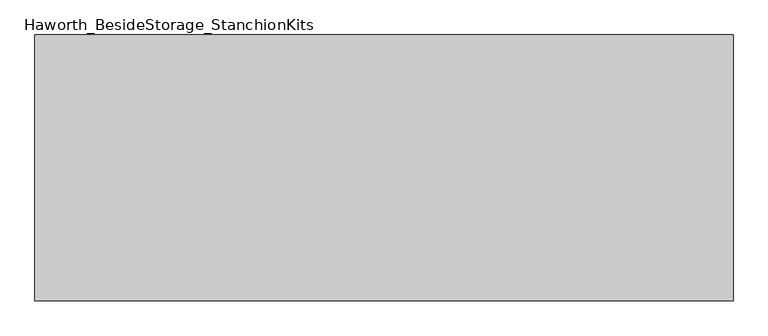
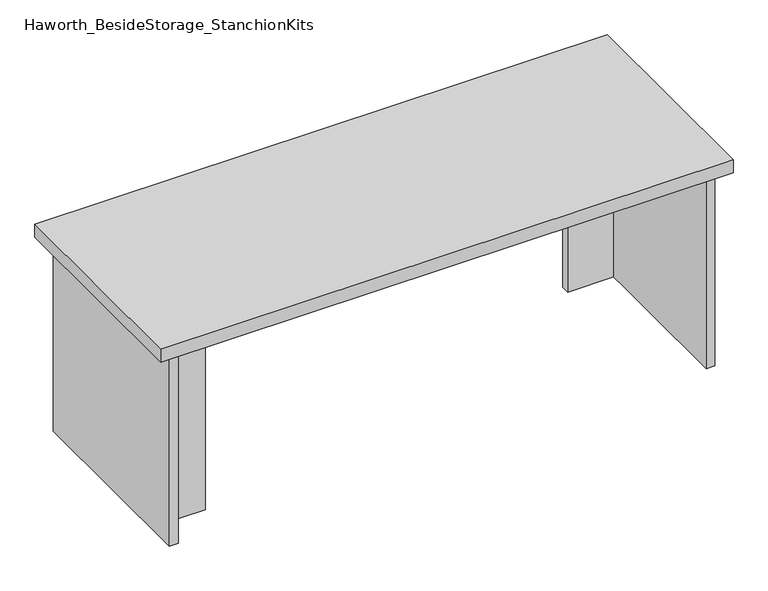
"""IFC4 building model written with IfcOpenShell, lengths in millimetres: furniture geometry, Haworth_BesideStorage_StanchionKits."""

from ifc_helpers import new_model, si_unit, frame, origin, place, context, project, spatial, polyline, outline, extrude, source, transform, mapped, element, save


def haworth_besidestorage_stanchionkits_9c300acf(model_context):
    return source(origin(), model_context, "Body", "SweptSolid", [
        extrude(outline(polyline([(695.325, 0.0), (695.325, -406.4), (-371.475, -406.4), (-371.475, 0.0), (695.325, 0.0)])), frame((0.0, 0.0, 812.8), z_axis=(0.0, 0.0, 1.0), x_axis=(1.0, 0.0, 0.0)), (0.0, 0.0, 1.0), 25.4),
        extrude(outline(polyline([(568.325, -76.2), (654.05, -76.2), (654.05, -92.075), (568.325, -92.075), (568.325, -76.2)])), frame((0.0, 0.0, 431.8), z_axis=(0.0, 0.0, 1.0), x_axis=(1.0, 0.0, 0.0)), (0.0, 0.0, 1.0), 381.0),
        extrude(outline(polyline([(-244.475, -314.325), (-244.475, -330.2), (-330.2, -330.2), (-330.2, -314.325), (-244.475, -314.325)])), frame((0.0, 0.0, 431.8), z_axis=(0.0, 0.0, 1.0), x_axis=(1.0, 0.0, 0.0)), (0.0, 0.0, 1.0), 381.0),
        extrude(outline(polyline([(669.925, -390.525), (654.05, -390.525), (654.05, -15.875), (669.925, -15.875), (669.925, -390.525)])), frame((0.0, 0.0, 431.8), z_axis=(0.0, 0.0, 1.0), x_axis=(1.0, 0.0, 0.0)), (0.0, 0.0, 1.0), 381.0),
        extrude(outline(polyline([(-330.2, -390.525), (-346.075, -390.525), (-346.075, -15.875), (-330.2, -15.875), (-330.2, -390.525)])), frame((0.0, 0.0, 431.8), z_axis=(0.0, 0.0, 1.0), x_axis=(1.0, 0.0, 0.0)), (0.0, 0.0, 1.0), 381.0),
    ])


if __name__ == "__main__":
    model = new_model("IFC4")
    model_context = context("Model", 3, world=origin())
    ifc_project = project(units=[si_unit("LENGTHUNIT", "METRE", prefix="MILLI")], contexts=[model_context])
    site = spatial("IfcSite", under=ifc_project)
    building = spatial("IfcBuilding", under=site)
    placement = place(None, origin())
    haworth_besidestorage_stanchionkits_shape = haworth_besidestorage_stanchionkits_9c300acf(model_context)
    element("IfcFurniture", 1, ObjectType="Haworth_BesideStorage_StanchionKits", at=placement, inside=building, context=model_context, shape_type="MappedRepresentation", body=[
        mapped(haworth_besidestorage_stanchionkits_shape, transform((0.0, 0.0, 0.0), x_axis=(1.0, 0.0, 0.0), y_axis=(0.0, 1.0, 0.0), z_axis=(0.0, 0.0, 1.0))),
    ])
    save(model, "model.ifc")
